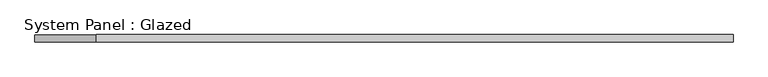
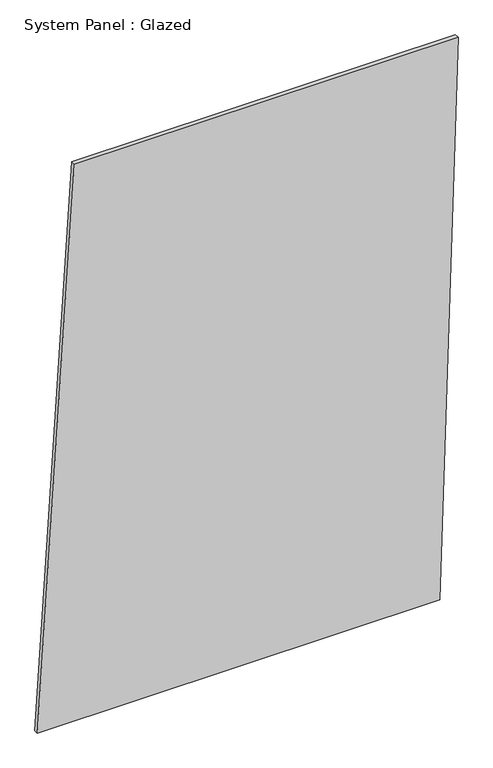
"""IFC4 building model written with IfcOpenShell, lengths in millimetres: plate geometry, System Panel : Glazed."""

from ifc_helpers import new_model, si_unit, frame, origin, place, context, project, spatial, polyline, outline, extrude, source, transform, mapped, element, save


def system_panel_glazed_ccf5b3fd(model_context):
    return source(origin(), model_context, "Body", "SweptSolid", [
        extrude(outline(polyline([(0.0, -1193.2542573), (0.0, 1088.3048352), (3337.7616575, 1193.2542573), (3337.7616575, -983.3554132), (0.0, -1193.2542573)])), frame((0.0, -49.5, 0.0), z_axis=(0.0, 1.0, 0.0), x_axis=(0.0, 0.0, 1.0)), (0.0, 0.0, 1.0), 25.0),
    ])


if __name__ == "__main__":
    model = new_model("IFC4")
    model_context = context("Model", 3, world=origin())
    ifc_project = project(units=[si_unit("LENGTHUNIT", "METRE", prefix="MILLI")], contexts=[model_context])
    site = spatial("IfcSite", under=ifc_project)
    building = spatial("IfcBuilding", under=site)
    placement = place(None, origin())
    system_panel_glazed_shape = system_panel_glazed_ccf5b3fd(model_context)
    element("IfcPlate", 1, ObjectType="System Panel : Glazed", at=placement, inside=building, context=model_context, shape_type="MappedRepresentation", body=[
        mapped(system_panel_glazed_shape, transform((0.0, 0.0, 0.0), x_axis=(1.0, 0.0, 0.0), y_axis=(0.0, 1.0, 0.0), z_axis=(0.0, 0.0, 1.0))),
    ])
    save(model, "model.ifc")
